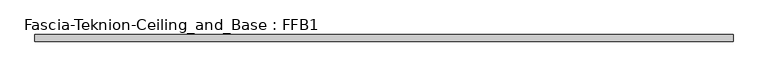
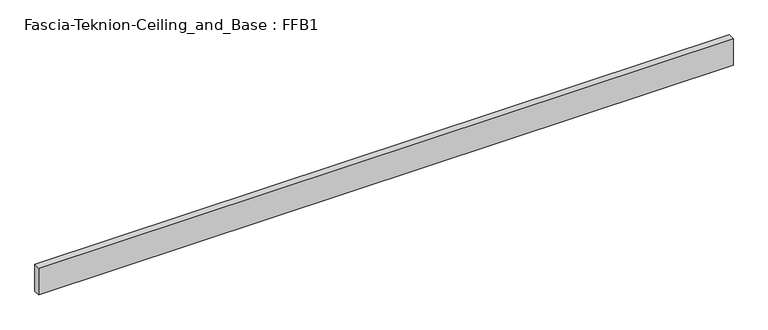
"""IFC4 building model written with IfcOpenShell, lengths in millimetres: proxy geometry, Fascia-Teknion-Ceiling_and_Base : FFB1."""

from ifc_helpers import new_model, si_unit, origin, origin_with_axes, place, context, project, spatial, polyline, outline, extrude, source, transform, mapped, element, save


def fascia_teknion_ceiling_and_base_ffb1_18eda79c(model_context):
    return source(origin(), model_context, "Body", "SweptSolid", [
        extrude(outline(polyline([(998.8407125, 0.0), (998.8407125, -19.05), (-998.8407125, -19.05), (-998.8407125, 0.0), (998.8407125, 0.0)])), origin_with_axes(), (0.0, 0.0, 1.0), 81.28),
    ])


if __name__ == "__main__":
    model = new_model("IFC4")
    model_context = context("Model", 3, world=origin())
    ifc_project = project(units=[si_unit("LENGTHUNIT", "METRE", prefix="MILLI")], contexts=[model_context])
    site = spatial("IfcSite", under=ifc_project)
    building = spatial("IfcBuilding", under=site)
    placement = place(None, origin())
    fascia_teknion_ceiling_and_base_ffb1_shape = fascia_teknion_ceiling_and_base_ffb1_18eda79c(model_context)
    element("IfcBuildingElementProxy", 1, Name="Fascia-Teknion-Ceiling_and_Base : FFB1", ObjectType="Fascia-Teknion-Ceiling_and_Base : FFB1", at=placement, inside=building, context=model_context, shape_type="MappedRepresentation", body=[
        mapped(fascia_teknion_ceiling_and_base_ffb1_shape, transform((0.0, 0.0, 0.0), x_axis=(1.0, 0.0, 0.0), y_axis=(0.0, 1.0, 0.0), z_axis=(0.0, 0.0, 1.0))),
    ])
    save(model, "model.ifc")
